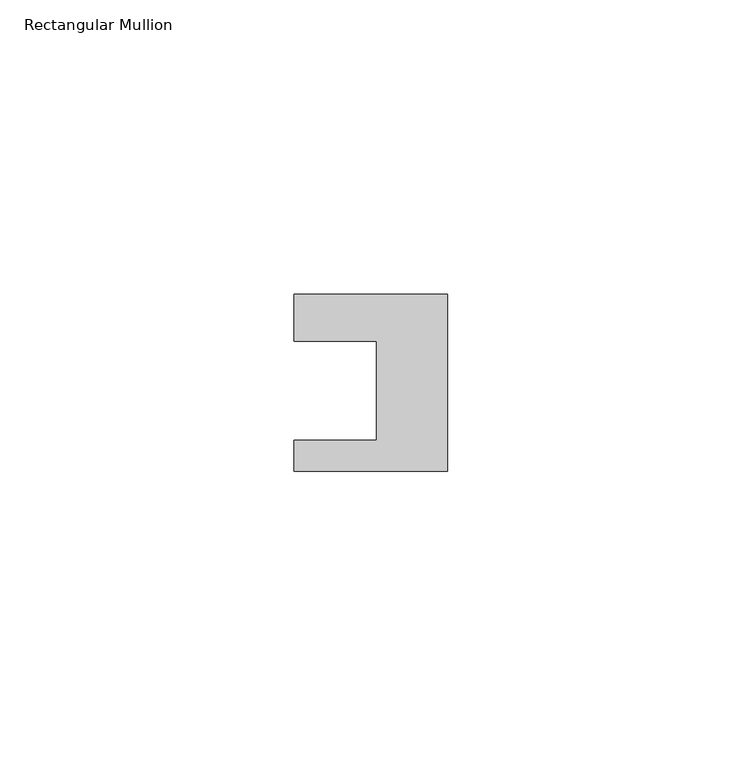
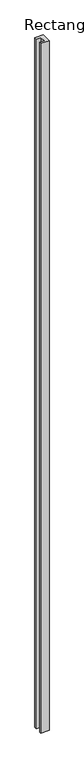
"""IFC4 building model written with IfcOpenShell, lengths in millimetres: member geometry, Rectangular Mullion."""

from ifc_helpers import new_model, si_unit, frame, origin, place, context, project, spatial, polyline, outline, extrude, source, transform, mapped, element, save


def rectangular_mullion_b014aa85(model_context):
    return source(origin(), model_context, "Body", "SweptSolid", [
        extrude(outline(polyline([(0.0, 7.94), (0.0, -22.06), (-26.0, -22.06), (-26.0, -16.8), (-12.0, -16.8), (-12.0, 0.001), (-26.0, 0.001), (-26.0, 7.94), (0.0, 7.94)])), frame((0.0, 0.0, -2239.0), z_axis=(0.0, 0.0, 1.0), x_axis=(1.0, 0.0, 0.0)), (0.0, 0.0, 1.0), 2239.0),
    ])


if __name__ == "__main__":
    model = new_model("IFC4")
    model_context = context("Model", 3, world=origin())
    ifc_project = project(units=[si_unit("LENGTHUNIT", "METRE", prefix="MILLI")], contexts=[model_context])
    site = spatial("IfcSite", under=ifc_project)
    building = spatial("IfcBuilding", under=site)
    placement = place(None, origin())
    rectangular_mullion_shape = rectangular_mullion_b014aa85(model_context)
    element("IfcMember", 1, ObjectType="Rectangular Mullion", at=placement, inside=building, context=model_context, shape_type="MappedRepresentation", body=[
        mapped(rectangular_mullion_shape, transform((0.0, 0.0, 0.0), x_axis=(1.0, 0.0, 0.0), y_axis=(0.0, 1.0, 0.0), z_axis=(0.0, 0.0, 1.0))),
    ])
    save(model, "model.ifc")
